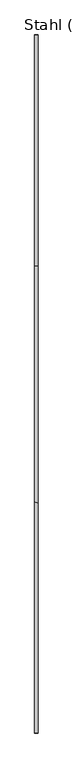
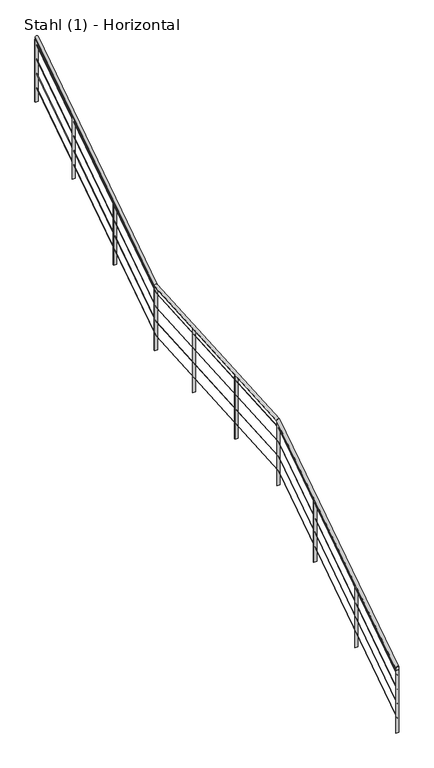
"""IFC4 building model written with IfcOpenShell, lengths in millimetres: railing geometry, Stahl (1) - Horizontal."""

from ifc_helpers import new_model, si_unit, frame, origin, place, context, project, spatial, polyline, ellipse_curve, outline, extrude, source, transform, mapped, element, save
from ifc_brep_helpers import plane_surface, cylinder_surface, advanced_brep


def stahl_1_horizontal_9af67980(model_context):
    return source(origin(), model_context, "Body", "SolidModel", [
        advanced_brep(
        [(33130.7514238, 17157.3138065, 984.2174404), (33090.7514238, 17157.3138065, 984.2174404), (33130.7514238, 19883.9198752, 2790.8613918), (33090.7514238, 19883.9198752, 2790.8613918), (33130.7514238, 22683.9198752, 2971.8137727), (33090.7514238, 22683.9198752, 2971.8137727), (33130.7514238, 25408.2661875, 4776.9604138), (33090.7514238, 25408.2661875, 4776.9604138)],
        [
            (0, 1, ellipse_curve(frame((33110.7514238, 17157.3138065, 984.2174404), z_axis=(0.0, -1.0, 0.0), x_axis=(0.0, 0.0, -1.0)), 23.9919671, 20.0)),
            (1, 0, ellipse_curve(frame((33110.7514238, 17157.3138065, 984.2174404), z_axis=(0.0, -1.0, 0.0), x_axis=(0.0, 0.0, -1.0)), 23.9919671, 20.0)),
            (0, 2),
            (2, 3, ellipse_curve(frame((33110.7514238, 19883.9198752, 2790.8613918), z_axis=(0.0, -0.9476959462777483, -0.31917455006426043), x_axis=(0.0, 0.31917455006426027, -0.9476959462777483)), 20.6973542, 20.0)),
            (3, 1),
            (3, 2, ellipse_curve(frame((33110.7514238, 19883.9198752, 2790.8613918), z_axis=(0.0, -0.9476959462777483, -0.31917455006426043), x_axis=(0.0, 0.31917455006426027, -0.9476959462777483)), 20.6973542, 20.0)),
            (2, 4),
            (4, 5, ellipse_curve(frame((33110.7514238, 22683.9198752, 2971.8137727), z_axis=(0.0, -0.947695946277748, -0.3191745500642615), x_axis=(0.0, -0.31917455006426154, 0.9476959462777479)), 20.6973542, 20.0)),
            (5, 3),
            (5, 4, ellipse_curve(frame((33110.7514238, 22683.9198752, 2971.8137727), z_axis=(0.0, -0.947695946277748, -0.3191745500642615), x_axis=(0.0, -0.31917455006426154, 0.9476959462777479)), 20.6973542, 20.0)),
            (6, 7, ellipse_curve(frame((33110.7514238, 25408.2661875, 4776.9604138), z_axis=(0.0, 1.0, 0.0), x_axis=(0.0, 0.0, -1.0)), 23.9919671, 20.0)),
            (7, 6, ellipse_curve(frame((33110.7514238, 25408.2661875, 4776.9604138), z_axis=(0.0, 1.0, 0.0), x_axis=(0.0, 0.0, -1.0)), 23.9919671, 20.0)),
            (4, 6),
            (7, 5),
        ],
        [
            plane_surface(frame((33110.7514238, 17157.3138065, 1008.2094076), z_axis=(0.0, -1.0, 0.0), x_axis=(0.0, 0.0, 1.0))),
            cylinder_surface(frame((33110.7514238, 17168.3608053, 991.5371607), z_axis=(0.0, -0.8336123454431537, -0.5523499411829101), x_axis=(-1.0, 0.0, 0.0)), 20.0),
            cylinder_surface(frame((33110.7514238, 19878.6036328, 2790.5178251), z_axis=(0.0, -0.9979182682345058, -0.06449131665461061), x_axis=(-1.0, 0.0, 0.0)), 20.0),
            plane_surface(frame((33110.7514238, 25408.2661875, 4800.952381), z_axis=(0.0, 1.0, 0.0), x_axis=(0.0, 0.0, 1.0))),
            cylinder_surface(frame((33110.7514238, 22688.3608053, 2974.7563245), z_axis=(0.0, -0.8336123454431524, -0.552349941182912), x_axis=(-1.0, 0.0, 0.0)), 20.0),
        ],
        [
            (0, [[1, 2]]),
            (1, [[-1, 3, 4, 5]]),
            (1, [[-2, -5, 6, -3]]),
            (2, [[-4, 7, 8, 9]]),
            (2, [[-6, -9, 10, -7]]),
            (3, [[11, 12]]),
            (4, [[-8, 13, -12, 14]]),
            (4, [[-10, -14, -11, -13]]),
        ],
    ),
        advanced_brep(
        [(33112.2514238, 17157.3138065, 886.41001), (33109.2514238, 17157.3138065, 886.41001), (33112.2514238, 19877.8092617, 2689.0050806), (33109.2514238, 19877.8092617, 2689.0050806), (33112.2514238, 22677.8092617, 2869.9574615), (33109.2514238, 22677.8092617, 2869.9574615), (33112.2514238, 25408.2661875, 4679.1529834), (33109.2514238, 25408.2661875, 4679.1529834)],
        [
            (0, 1, ellipse_curve(frame((33110.7514238, 17157.3138065, 886.41001), z_axis=(0.0, -1.0, 0.0), x_axis=(0.0, 0.0, -1.0)), 1.7993975, 1.5)),
            (1, 0, ellipse_curve(frame((33110.7514238, 17157.3138065, 886.41001), z_axis=(0.0, -1.0, 0.0), x_axis=(0.0, 0.0, -1.0)), 1.7993975, 1.5)),
            (0, 2),
            (2, 3, ellipse_curve(frame((33110.7514238, 19877.8092617, 2689.0050806), z_axis=(0.0, -0.9476959462777483, -0.31917455006426043), x_axis=(0.0, 0.31917455006426027, -0.9476959462777483)), 1.5523016, 1.5)),
            (3, 1),
            (3, 2, ellipse_curve(frame((33110.7514238, 19877.8092617, 2689.0050806), z_axis=(0.0, -0.9476959462777483, -0.31917455006426043), x_axis=(0.0, 0.31917455006426027, -0.9476959462777483)), 1.5523016, 1.5)),
            (2, 4),
            (4, 5, ellipse_curve(frame((33110.7514238, 22677.8092617, 2869.9574615), z_axis=(0.0, -0.947695946277748, -0.3191745500642615), x_axis=(0.0, -0.31917455006426154, 0.9476959462777479)), 1.5523016, 1.5)),
            (5, 3),
            (5, 4, ellipse_curve(frame((33110.7514238, 22677.8092617, 2869.9574615), z_axis=(0.0, -0.947695946277748, -0.3191745500642615), x_axis=(0.0, -0.31917455006426154, 0.9476959462777479)), 1.5523016, 1.5)),
            (6, 7, ellipse_curve(frame((33110.7514238, 25408.2661875, 4679.1529834), z_axis=(0.0, 1.0, 0.0), x_axis=(0.0, 0.0, -1.0)), 1.7993975, 1.5)),
            (7, 6, ellipse_curve(frame((33110.7514238, 25408.2661875, 4679.1529834), z_axis=(0.0, 1.0, 0.0), x_axis=(0.0, 0.0, -1.0)), 1.7993975, 1.5)),
            (4, 6),
            (7, 5),
        ],
        [
            plane_surface(frame((33110.7514238, 17157.3138065, 888.2094076), z_axis=(0.0, -1.0, 0.0), x_axis=(0.0, 0.0, 1.0))),
            cylinder_surface(frame((33110.7514238, 17158.1423314, 886.958989), z_axis=(0.0, -0.8336123454431537, -0.5523499411829101), x_axis=(-1.0, 0.0, 0.0)), 1.5),
            cylinder_surface(frame((33110.7514238, 19877.4105435, 2688.9793131), z_axis=(0.0, -0.9979182682345058, -0.06449131665461061), x_axis=(-1.0, 0.0, 0.0)), 1.5),
            plane_surface(frame((33110.7514238, 25408.2661875, 4680.952381), z_axis=(0.0, 1.0, 0.0), x_axis=(0.0, 0.0, 1.0))),
            cylinder_surface(frame((33110.7514238, 22678.1423314, 2870.1781529), z_axis=(0.0, -0.8336123454431524, -0.552349941182912), x_axis=(-1.0, 0.0, 0.0)), 1.5),
        ],
        [
            (0, [[1, 2]]),
            (1, [[-1, 3, 4, 5]]),
            (1, [[-2, -5, 6, -3]]),
            (2, [[-4, 7, 8, 9]]),
            (2, [[-6, -9, 10, -7]]),
            (3, [[11, 12]]),
            (4, [[-8, 13, -12, 14]]),
            (4, [[-10, -14, -11, -13]]),
        ],
    ),
        advanced_brep(
        [(33112.2514238, 17157.3138065, 686.41001), (33109.2514238, 17157.3138065, 686.41001), (33112.2514238, 19877.8092617, 2489.0050806), (33109.2514238, 19877.8092617, 2489.0050806), (33112.2514238, 22677.8092617, 2669.9574615), (33109.2514238, 22677.8092617, 2669.9574615), (33112.2514238, 25408.2661875, 4479.1529834), (33109.2514238, 25408.2661875, 4479.1529834)],
        [
            (0, 1, ellipse_curve(frame((33110.7514238, 17157.3138065, 686.41001), z_axis=(0.0, -1.0, 0.0), x_axis=(0.0, 0.0, -1.0)), 1.7993975, 1.5)),
            (1, 0, ellipse_curve(frame((33110.7514238, 17157.3138065, 686.41001), z_axis=(0.0, -1.0, 0.0), x_axis=(0.0, 0.0, -1.0)), 1.7993975, 1.5)),
            (0, 2),
            (2, 3, ellipse_curve(frame((33110.7514238, 19877.8092617, 2489.0050806), z_axis=(0.0, -0.9476959462777483, -0.31917455006426043), x_axis=(0.0, 0.31917455006426027, -0.9476959462777483)), 1.5523016, 1.5)),
            (3, 1),
            (3, 2, ellipse_curve(frame((33110.7514238, 19877.8092617, 2489.0050806), z_axis=(0.0, -0.9476959462777483, -0.31917455006426043), x_axis=(0.0, 0.31917455006426027, -0.9476959462777483)), 1.5523016, 1.5)),
            (2, 4),
            (4, 5, ellipse_curve(frame((33110.7514238, 22677.8092617, 2669.9574615), z_axis=(0.0, -0.947695946277748, -0.3191745500642615), x_axis=(0.0, -0.31917455006426154, 0.9476959462777479)), 1.5523016, 1.5)),
            (5, 3),
            (5, 4, ellipse_curve(frame((33110.7514238, 22677.8092617, 2669.9574615), z_axis=(0.0, -0.947695946277748, -0.3191745500642615), x_axis=(0.0, -0.31917455006426154, 0.9476959462777479)), 1.5523016, 1.5)),
            (6, 7, ellipse_curve(frame((33110.7514238, 25408.2661875, 4479.1529834), z_axis=(0.0, 1.0, 0.0), x_axis=(0.0, 0.0, -1.0)), 1.7993975, 1.5)),
            (7, 6, ellipse_curve(frame((33110.7514238, 25408.2661875, 4479.1529834), z_axis=(0.0, 1.0, 0.0), x_axis=(0.0, 0.0, -1.0)), 1.7993975, 1.5)),
            (4, 6),
            (7, 5),
        ],
        [
            plane_surface(frame((33110.7514238, 17157.3138065, 688.2094076), z_axis=(0.0, -1.0, 0.0), x_axis=(0.0, 0.0, 1.0))),
            cylinder_surface(frame((33110.7514238, 17158.1423314, 686.958989), z_axis=(0.0, -0.8336123454431537, -0.5523499411829101), x_axis=(-1.0, 0.0, 0.0)), 1.5),
            cylinder_surface(frame((33110.7514238, 19877.4105435, 2488.9793131), z_axis=(0.0, -0.9979182682345058, -0.06449131665461061), x_axis=(-1.0, 0.0, 0.0)), 1.5),
            plane_surface(frame((33110.7514238, 25408.2661875, 4480.952381), z_axis=(0.0, 1.0, 0.0), x_axis=(0.0, 0.0, 1.0))),
            cylinder_surface(frame((33110.7514238, 22678.1423314, 2670.1781529), z_axis=(0.0, -0.8336123454431524, -0.552349941182912), x_axis=(-1.0, 0.0, 0.0)), 1.5),
        ],
        [
            (0, [[1, 2]]),
            (1, [[-1, 3, 4, 5]]),
            (1, [[-2, -5, 6, -3]]),
            (2, [[-4, 7, 8, 9]]),
            (2, [[-6, -9, 10, -7]]),
            (3, [[11, 12]]),
            (4, [[-8, 13, -12, 14]]),
            (4, [[-10, -14, -11, -13]]),
        ],
    ),
        advanced_brep(
        [(33112.2514238, 17157.3138065, 486.41001), (33109.2514238, 17157.3138065, 486.41001), (33112.2514238, 19877.8092617, 2289.0050806), (33109.2514238, 19877.8092617, 2289.0050806), (33112.2514238, 22677.8092617, 2469.9574615), (33109.2514238, 22677.8092617, 2469.9574615), (33112.2514238, 25408.2661875, 4279.1529834), (33109.2514238, 25408.2661875, 4279.1529834)],
        [
            (0, 1, ellipse_curve(frame((33110.7514238, 17157.3138065, 486.41001), z_axis=(0.0, -1.0, 0.0), x_axis=(0.0, 0.0, -1.0)), 1.7993975, 1.5)),
            (1, 0, ellipse_curve(frame((33110.7514238, 17157.3138065, 486.41001), z_axis=(0.0, -1.0, 0.0), x_axis=(0.0, 0.0, -1.0)), 1.7993975, 1.5)),
            (0, 2),
            (2, 3, ellipse_curve(frame((33110.7514238, 19877.8092617, 2289.0050806), z_axis=(0.0, -0.9476959462777483, -0.31917455006426043), x_axis=(0.0, 0.31917455006426027, -0.9476959462777483)), 1.5523016, 1.5)),
            (3, 1),
            (3, 2, ellipse_curve(frame((33110.7514238, 19877.8092617, 2289.0050806), z_axis=(0.0, -0.9476959462777483, -0.31917455006426043), x_axis=(0.0, 0.31917455006426027, -0.9476959462777483)), 1.5523016, 1.5)),
            (2, 4),
            (4, 5, ellipse_curve(frame((33110.7514238, 22677.8092617, 2469.9574615), z_axis=(0.0, -0.947695946277748, -0.3191745500642615), x_axis=(0.0, -0.31917455006426154, 0.9476959462777479)), 1.5523016, 1.5)),
            (5, 3),
            (5, 4, ellipse_curve(frame((33110.7514238, 22677.8092617, 2469.9574615), z_axis=(0.0, -0.947695946277748, -0.3191745500642615), x_axis=(0.0, -0.31917455006426154, 0.9476959462777479)), 1.5523016, 1.5)),
            (6, 7, ellipse_curve(frame((33110.7514238, 25408.2661875, 4279.1529834), z_axis=(0.0, 1.0, 0.0), x_axis=(0.0, 0.0, -1.0)), 1.7993975, 1.5)),
            (7, 6, ellipse_curve(frame((33110.7514238, 25408.2661875, 4279.1529834), z_axis=(0.0, 1.0, 0.0), x_axis=(0.0, 0.0, -1.0)), 1.7993975, 1.5)),
            (4, 6),
            (7, 5),
        ],
        [
            plane_surface(frame((33110.7514238, 17157.3138065, 488.2094076), z_axis=(0.0, -1.0, 0.0), x_axis=(0.0, 0.0, 1.0))),
            cylinder_surface(frame((33110.7514238, 17158.1423314, 486.958989), z_axis=(0.0, -0.8336123454431537, -0.5523499411829101), x_axis=(-1.0, 0.0, 0.0)), 1.5),
            cylinder_surface(frame((33110.7514238, 19877.4105435, 2288.9793131), z_axis=(0.0, -0.9979182682345058, -0.06449131665461061), x_axis=(-1.0, 0.0, 0.0)), 1.5),
            plane_surface(frame((33110.7514238, 25408.2661875, 4280.952381), z_axis=(0.0, 1.0, 0.0), x_axis=(0.0, 0.0, 1.0))),
            cylinder_surface(frame((33110.7514238, 22678.1423314, 2470.1781529), z_axis=(0.0, -0.8336123454431524, -0.552349941182912), x_axis=(-1.0, 0.0, 0.0)), 1.5),
        ],
        [
            (0, [[1, 2]]),
            (1, [[-1, 3, 4, 5]]),
            (1, [[-2, -5, 6, -3]]),
            (2, [[-4, 7, 8, 9]]),
            (2, [[-6, -9, 10, -7]]),
            (3, [[11, 12]]),
            (4, [[-8, 13, -12, 14]]),
            (4, [[-10, -14, -11, -13]]),
        ],
    ),
        advanced_brep(
        [(33112.2514238, 17157.3138065, 286.41001), (33109.2514238, 17157.3138065, 286.41001), (33112.2514238, 19877.8092617, 2089.0050806), (33109.2514238, 19877.8092617, 2089.0050806), (33112.2514238, 22677.8092617, 2269.9574615), (33109.2514238, 22677.8092617, 2269.9574615), (33112.2514238, 25408.2661875, 4079.1529834), (33109.2514238, 25408.2661875, 4079.1529834)],
        [
            (0, 1, ellipse_curve(frame((33110.7514238, 17157.3138065, 286.41001), z_axis=(0.0, -1.0, 0.0), x_axis=(0.0, 0.0, -1.0)), 1.7993975, 1.5)),
            (1, 0, ellipse_curve(frame((33110.7514238, 17157.3138065, 286.41001), z_axis=(0.0, -1.0, 0.0), x_axis=(0.0, 0.0, -1.0)), 1.7993975, 1.5)),
            (0, 2),
            (2, 3, ellipse_curve(frame((33110.7514238, 19877.8092617, 2089.0050806), z_axis=(0.0, -0.9476959462777483, -0.31917455006426043), x_axis=(0.0, 0.31917455006426027, -0.9476959462777483)), 1.5523016, 1.5)),
            (3, 1),
            (3, 2, ellipse_curve(frame((33110.7514238, 19877.8092617, 2089.0050806), z_axis=(0.0, -0.9476959462777483, -0.31917455006426043), x_axis=(0.0, 0.31917455006426027, -0.9476959462777483)), 1.5523016, 1.5)),
            (2, 4),
            (4, 5, ellipse_curve(frame((33110.7514238, 22677.8092617, 2269.9574615), z_axis=(0.0, -0.947695946277748, -0.3191745500642615), x_axis=(0.0, -0.31917455006426154, 0.9476959462777479)), 1.5523016, 1.5)),
            (5, 3),
            (5, 4, ellipse_curve(frame((33110.7514238, 22677.8092617, 2269.9574615), z_axis=(0.0, -0.947695946277748, -0.3191745500642615), x_axis=(0.0, -0.31917455006426154, 0.9476959462777479)), 1.5523016, 1.5)),
            (6, 7, ellipse_curve(frame((33110.7514238, 25408.2661875, 4079.1529834), z_axis=(0.0, 1.0, 0.0), x_axis=(0.0, 0.0, -1.0)), 1.7993975, 1.5)),
            (7, 6, ellipse_curve(frame((33110.7514238, 25408.2661875, 4079.1529834), z_axis=(0.0, 1.0, 0.0), x_axis=(0.0, 0.0, -1.0)), 1.7993975, 1.5)),
            (4, 6),
            (7, 5),
        ],
        [
            plane_surface(frame((33110.7514238, 17157.3138065, 288.2094076), z_axis=(0.0, -1.0, 0.0), x_axis=(0.0, 0.0, 1.0))),
            cylinder_surface(frame((33110.7514238, 17158.1423314, 286.958989), z_axis=(0.0, -0.8336123454431537, -0.5523499411829101), x_axis=(-1.0, 0.0, 0.0)), 1.5),
            cylinder_surface(frame((33110.7514238, 19877.4105435, 2088.9793131), z_axis=(0.0, -0.9979182682345058, -0.06449131665461061), x_axis=(-1.0, 0.0, 0.0)), 1.5),
            plane_surface(frame((33110.7514238, 25408.2661875, 4080.952381), z_axis=(0.0, 1.0, 0.0), x_axis=(0.0, 0.0, 1.0))),
            cylinder_surface(frame((33110.7514238, 22678.1423314, 2270.1781529), z_axis=(0.0, -0.8336123454431524, -0.552349941182912), x_axis=(-1.0, 0.0, 0.0)), 1.5),
        ],
        [
            (0, [[1, 2]]),
            (1, [[-1, 3, 4, 5]]),
            (1, [[-2, -5, 6, -3]]),
            (2, [[-4, 7, 8, 9]]),
            (2, [[-6, -9, 10, -7]]),
            (3, [[11, 12]]),
            (4, [[-8, 13, -12, 14]]),
            (4, [[-10, -14, -11, -13]]),
        ],
    ),
        extrude(outline(polyline([(24556.7292416, 4188.7416997), (24564.7292416, 4194.0424843), (24564.7292416, 3319.3760263), (24556.7292416, 3319.3760263), (24556.7292416, 4188.7416997)])), frame((33090.7514238, 0.0, 0.0), z_axis=(1.0, 0.0, 0.0), x_axis=(0.0, 1.0, 0.0)), (0.0, 0.0, 1.0), 40.0),
        extrude(outline(polyline([(23615.0215241, 3564.7679722), (23623.0215241, 3570.0687569), (23623.0215241, 2695.4022989), (23615.0215241, 2695.4022989), (23615.0215241, 3564.7679722)])), frame((33090.7514238, 0.0, 0.0), z_axis=(1.0, 0.0, 0.0), x_axis=(0.0, 1.0, 0.0)), (0.0, 0.0, 1.0), 40.0),
        extrude(outline(polyline([(21804.3482893, 2894.9289896), (21812.3482893, 2895.4459964), (21812.3482893, 2015.270936), (21804.3482893, 2015.270936), (21804.3482893, 2894.9289896)])), frame((33090.7514238, 0.0, 0.0), z_axis=(1.0, 0.0, 0.0), x_axis=(0.0, 1.0, 0.0)), (0.0, 0.0, 1.0), 40.0),
        extrude(outline(polyline([(20838.8310479, 2832.5316168), (20846.8310479, 2833.0486236), (20846.8310479, 1952.8735632), (20838.8310479, 1952.8735632), (20838.8310479, 2832.5316168)])), frame((33090.7514238, 0.0, 0.0), z_axis=(1.0, 0.0, 0.0), x_axis=(0.0, 1.0, 0.0)), (0.0, 0.0, 1.0), 40.0),
        extrude(outline(polyline([(19029.1758755, 2200.5176899), (19037.1758755, 2205.8184745), (19037.1758755, 1331.1520165), (19029.1758755, 1331.1520165), (19029.1758755, 2200.5176899)])), frame((33090.7514238, 0.0, 0.0), z_axis=(1.0, 0.0, 0.0), x_axis=(0.0, 1.0, 0.0)), (0.0, 0.0, 1.0), 40.0),
        extrude(outline(polyline([(18091.244841, 1579.0463854), (18099.244841, 1584.3471701), (18099.244841, 709.680712), (18091.244841, 709.680712), (18091.244841, 1579.0463854)])), frame((33090.7514238, 0.0, 0.0), z_axis=(1.0, 0.0, 0.0), x_axis=(0.0, 1.0, 0.0)), (0.0, 0.0, 1.0), 40.0),
        extrude(outline(polyline([(22673.3138065, 2940.7942448), (22681.3138065, 2946.0950295), (22681.3138065, 2071.4285714), (22673.3138065, 2071.4285714), (22673.3138065, 2940.7942448)])), frame((33090.7514238, 0.0, 0.0), z_axis=(1.0, 0.0, 0.0), x_axis=(0.0, 1.0, 0.0)), (0.0, 0.0, 1.0), 40.0),
        extrude(outline(polyline([(19873.3138065, 2759.8418639), (19881.3138065, 2765.1426485), (19881.3138065, 1890.4761905), (19873.3138065, 1890.4761905), (19873.3138065, 2759.8418639)])), frame((33090.7514238, 0.0, 0.0), z_axis=(1.0, 0.0, 0.0), x_axis=(0.0, 1.0, 0.0)), (0.0, 0.0, 1.0), 40.0),
        extrude(outline(polyline([(25404.2661875, 4750.3180543), (25412.2661875, 4755.618839), (25412.2661875, 3880.952381), (25404.2661875, 3880.952381), (25404.2661875, 4750.3180543)])), frame((33090.7514238, 0.0, 0.0), z_axis=(1.0, 0.0, 0.0), x_axis=(0.0, 1.0, 0.0)), (0.0, 0.0, 1.0), 40.0),
        extrude(outline(polyline([(17153.3138065, 957.575081), (17161.3138065, 962.8758656), (17161.3138065, 88.2094076), (17153.3138065, 88.2094076), (17153.3138065, 957.575081)])), frame((33090.7514238, 0.0, 0.0), z_axis=(1.0, 0.0, 0.0), x_axis=(0.0, 1.0, 0.0)), (0.0, 0.0, 1.0), 40.0),
    ])


if __name__ == "__main__":
    model = new_model("IFC4")
    model_context = context("Model", 3, world=origin())
    ifc_project = project(units=[si_unit("LENGTHUNIT", "METRE", prefix="MILLI")], contexts=[model_context])
    site = spatial("IfcSite", under=ifc_project)
    building = spatial("IfcBuilding", under=site)
    placement = place(None, origin())
    stahl_1_horizontal_shape = stahl_1_horizontal_9af67980(model_context)
    element("IfcRailing", 1, ObjectType="Stahl (1) - Horizontal", at=placement, inside=building, context=model_context, shape_type="MappedRepresentation", body=[
        mapped(stahl_1_horizontal_shape, transform((0.0, 0.0, 0.0), x_axis=(1.0, 0.0, 0.0), y_axis=(0.0, 1.0, 0.0), z_axis=(0.0, 0.0, 1.0))),
    ])
    save(model, "model.ifc")
